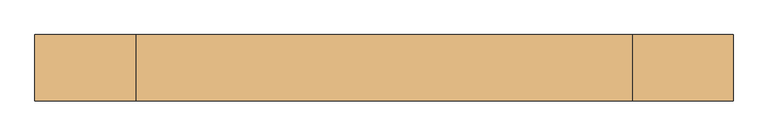
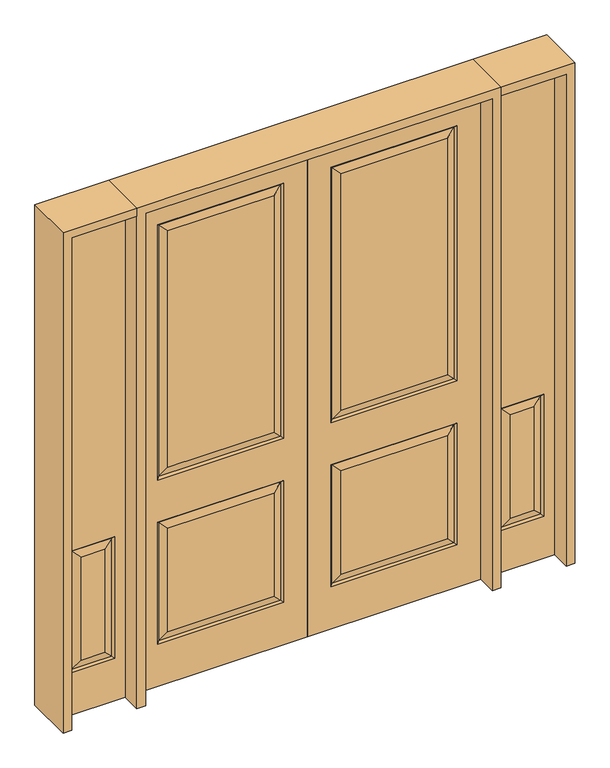
"""IFC4 building model written with IfcOpenShell, lengths in millimetres: door geometry."""

from ifc_helpers import new_model, si_unit, frame, origin, place, context, project, spatial, polyline, outline, extrude, faceted_brep, source, transform, mapped, element, save


def door_5f926c18(model_context):
    return source(origin(), model_context, "Body", "SolidModel", [
        faceted_brep([(692.6947439, 11.6572439, 218.5302561), (655.6375, 20.6375, 255.5875), (655.6375, 20.6375, 766.7625), (692.6947439, 11.6572439, 803.8197439), (120.1052561, -11.6572439, 803.8197439), (692.6947439, -11.6572439, 803.8197439), (701.675, -20.6375, 812.8), (111.125, -20.6375, 812.8), (692.6947439, -11.6572439, 218.5302561), (701.675, -20.6375, 209.55), (120.1052561, -11.6572439, 218.5302561), (111.125, -20.6375, 209.55), (120.1052561, 11.6572439, 1031.3302561), (692.6947439, 11.6572439, 1031.3302561), (701.675, 20.6375, 1022.35), (111.125, 20.6375, 1022.35), (692.6947439, 11.6572439, 2277.0197439), (701.675, 20.6375, 2286.0), (111.125, 20.6375, 2286.0), (120.1052561, 11.6572439, 2277.0197439), (157.1625, 20.6375, 1068.3875), (655.6375, 20.6375, 1068.3875), (701.675, 20.6375, 812.8), (120.1052561, 11.6572439, 803.8197439), (111.125, 20.6375, 812.8), (0.0, -20.6375, 0.0), (0.0, 20.6375, 0.0), (812.8, 20.6375, 0.0), (812.8, -20.6375, 0.0), (0.0, -20.6375, 2438.4), (0.0, 20.6375, 2438.4), (157.1625, 20.6375, 255.5875), (157.1625, 20.6375, 766.7625), (157.1625, 20.6375, 2239.9625), (655.6375, 20.6375, 2239.9625), (812.8, 20.6375, 2438.4), (111.125, 20.6375, 209.55), (701.675, 20.6375, 209.55), (812.8, -20.6375, 2438.4), (655.6375, -20.6375, 766.7625), (157.1625, -20.6375, 766.7625), (157.1625, -20.6375, 255.5875), (655.6375, -20.6375, 255.5875), (655.6375, -20.6375, 2239.9625), (157.1625, -20.6375, 2239.9625), (157.1625, -20.6375, 1068.3875), (655.6375, -20.6375, 1068.3875), (111.125, -20.6375, 2286.0), (701.675, -20.6375, 2286.0), (701.675, -20.6375, 1022.35), (111.125, -20.6375, 1022.35), (692.6947439, -11.6572439, 2277.0197439), (692.6947439, -11.6572439, 1031.3302561), (120.1052561, -11.6572439, 1031.3302561), (120.1052561, -11.6572439, 2277.0197439), (120.1052561, 11.6572439, 218.5302561)], [[[0, 1, 2, 3]], [[4, 5, 6, 7]], [[6, 5, 8, 9]], [[9, 8, 10, 11]], [[12, 13, 14, 15]], [[14, 13, 16, 17]], [[12, 15, 18, 19]], [[13, 12, 20, 21]], [[22, 3, 23, 24]], [[25, 26, 27, 28]], [[29, 30, 26, 25]], [[1, 31, 32, 2]], [[21, 20, 33, 34]], [[30, 35, 27, 26], [15, 14, 17, 18], [36, 37, 22, 24]], [[3, 2, 32, 23]], [[35, 38, 28, 27]], [[39, 40, 41, 42]], [[43, 44, 45, 46]], [[38, 29, 25, 28], [7, 6, 9, 11], [47, 48, 49, 50]], [[48, 51, 52, 49]], [[49, 52, 53, 50]], [[54, 47, 50, 53]], [[44, 54, 53, 45]], [[52, 46, 45, 53]], [[51, 43, 46, 52]], [[4, 7, 11, 10]], [[5, 4, 40, 39]], [[40, 4, 10, 41]], [[8, 42, 41, 10]], [[5, 39, 42, 8]], [[20, 12, 19, 33]], [[13, 21, 34, 16]], [[55, 0, 37, 36]], [[37, 0, 3, 22]], [[55, 36, 24, 23]], [[0, 55, 31, 1]], [[31, 55, 23, 32]], [[29, 38, 35, 30]], [[17, 16, 19, 18]], [[16, 34, 33, 19]], [[54, 51, 48, 47]], [[51, 54, 44, 43]]]),
        faceted_brep([(-692.6947439, 11.6572439, 218.5302561), (-692.6947439, 11.6572439, 803.8197439), (-655.6375, 20.6375, 766.7625), (-655.6375, 20.6375, 255.5875), (-120.1052561, -11.6572439, 803.8197439), (-111.125, -20.6375, 812.8), (-701.675, -20.6375, 812.8), (-692.6947439, -11.6572439, 803.8197439), (-701.675, -20.6375, 209.55), (-692.6947439, -11.6572439, 218.5302561), (-111.125, -20.6375, 209.55), (-120.1052561, -11.6572439, 218.5302561), (-120.1052561, 11.6572439, 1031.3302561), (-111.125, 20.6375, 1022.35), (-701.675, 20.6375, 1022.35), (-692.6947439, 11.6572439, 1031.3302561), (-701.675, 20.6375, 2286.0), (-692.6947439, 11.6572439, 2277.0197439), (-120.1052561, 11.6572439, 2277.0197439), (-111.125, 20.6375, 2286.0), (-655.6375, 20.6375, 1068.3875), (-157.1625, 20.6375, 1068.3875), (-701.675, 20.6375, 812.8), (-111.125, 20.6375, 812.8), (-120.1052561, 11.6572439, 803.8197439), (0.0, -20.6375, 0.0), (-812.8, -20.6375, 0.0), (-812.8, 20.6375, 0.0), (0.0, 20.6375, 0.0), (0.0, -20.6375, 2438.4), (0.0, 20.6375, 2438.4), (-157.1625, 20.6375, 766.7625), (-157.1625, 20.6375, 255.5875), (-812.8, 20.6375, 2438.4), (-111.125, 20.6375, 209.55), (-701.675, 20.6375, 209.55), (-655.6375, 20.6375, 2239.9625), (-157.1625, 20.6375, 2239.9625), (-812.8, -20.6375, 2438.4), (-655.6375, -20.6375, 766.7625), (-655.6375, -20.6375, 255.5875), (-157.1625, -20.6375, 255.5875), (-157.1625, -20.6375, 766.7625), (-655.6375, -20.6375, 2239.9625), (-655.6375, -20.6375, 1068.3875), (-157.1625, -20.6375, 1068.3875), (-157.1625, -20.6375, 2239.9625), (-111.125, -20.6375, 2286.0), (-111.125, -20.6375, 1022.35), (-701.675, -20.6375, 1022.35), (-701.675, -20.6375, 2286.0), (-692.6947439, -11.6572439, 1031.3302561), (-692.6947439, -11.6572439, 2277.0197439), (-120.1052561, -11.6572439, 1031.3302561), (-120.1052561, -11.6572439, 2277.0197439), (-120.1052561, 11.6572439, 218.5302561)], [[[0, 1, 2, 3]], [[4, 5, 6, 7]], [[6, 8, 9, 7]], [[8, 10, 11, 9]], [[12, 13, 14, 15]], [[14, 16, 17, 15]], [[12, 18, 19, 13]], [[15, 20, 21, 12]], [[22, 23, 24, 1]], [[25, 26, 27, 28]], [[29, 25, 28, 30]], [[3, 2, 31, 32]], [[30, 28, 27, 33], [13, 19, 16, 14], [34, 23, 22, 35]], [[20, 36, 37, 21]], [[1, 24, 31, 2]], [[33, 27, 26, 38]], [[39, 40, 41, 42]], [[43, 44, 45, 46]], [[38, 26, 25, 29], [5, 10, 8, 6], [47, 48, 49, 50]], [[50, 49, 51, 52]], [[49, 48, 53, 51]], [[54, 53, 48, 47]], [[46, 45, 53, 54]], [[51, 53, 45, 44]], [[52, 51, 44, 43]], [[4, 11, 10, 5]], [[7, 39, 42, 4]], [[42, 41, 11, 4]], [[9, 11, 41, 40]], [[7, 9, 40, 39]], [[21, 37, 18, 12]], [[15, 17, 36, 20]], [[55, 34, 35, 0]], [[35, 22, 1, 0]], [[55, 24, 23, 34]], [[0, 3, 32, 55]], [[32, 31, 24, 55]], [[29, 30, 33, 38]], [[16, 19, 18, 17]], [[17, 18, 37, 36]], [[54, 47, 50, 52]], [[52, 43, 46, 54]]]),
        faceted_brep([(1099.0947439, -11.6572439, 218.5302561), (1108.075, -20.6375, 209.55), (1108.075, -20.6375, 812.8), (1099.0947439, -11.6572439, 803.8197439), (904.875, -20.6375, 812.8), (913.8552561, -11.6572439, 803.8197439), (913.8552561, 11.6572439, 218.5302561), (1099.0947439, 11.6572439, 218.5302561), (1108.075, 20.6375, 209.55), (904.875, 20.6375, 209.55), (950.9125, 20.6375, 255.5875), (913.8552561, 11.6572439, 803.8197439), (950.9125, 20.6375, 766.7625), (1062.0375, 20.6375, 255.5875), (1062.0375, 20.6375, 766.7625), (1099.0947439, 11.6572439, 803.8197439), (1158.875, 20.6375, 0.0), (854.075, 20.6375, 0.0), (854.075, 20.6375, 2438.4), (1158.875, 20.6375, 2438.4), (1108.075, 20.6375, 812.8), (904.875, 20.6375, 812.8), (1158.875, -20.6375, 0.0), (854.075, -20.6375, 0.0), (854.075, -20.6375, 2438.4), (1158.875, -20.6375, 2438.4), (950.9125, -20.6375, 255.5875), (1062.0375, -20.6375, 255.5875), (1062.0375, -20.6375, 766.7625), (950.9125, -20.6375, 766.7625), (904.875, -20.6375, 209.55), (913.8552561, -11.6572439, 218.5302561)], [[[0, 1, 2, 3]], [[3, 2, 4, 5]], [[6, 7, 8, 9]], [[10, 6, 11, 12]], [[7, 13, 14, 15]], [[16, 17, 18, 19], [9, 8, 20, 21]], [[13, 10, 12, 14]], [[17, 16, 22, 23]], [[18, 17, 23, 24]], [[16, 19, 25, 22]], [[8, 7, 15, 20]], [[20, 15, 11, 21]], [[6, 9, 21, 11]], [[7, 6, 10, 13]], [[15, 14, 12, 11]], [[26, 27, 28, 29]], [[22, 25, 24, 23], [1, 30, 4, 2]], [[1, 0, 31, 30]], [[30, 31, 5, 4]], [[31, 0, 27, 26]], [[27, 0, 3, 28]], [[28, 3, 5, 29]], [[31, 26, 29, 5]], [[19, 18, 24, 25]]]),
        faceted_brep([(-1099.0947439, -11.6572439, 218.5302561), (-1099.0947439, -11.6572439, 803.8197439), (-1108.075, -20.6375, 812.8), (-1108.075, -20.6375, 209.55), (-913.8552561, -11.6572439, 803.8197439), (-904.875, -20.6375, 812.8), (-913.8552561, 11.6572439, 218.5302561), (-904.875, 20.6375, 209.55), (-1108.075, 20.6375, 209.55), (-1099.0947439, 11.6572439, 218.5302561), (-950.9125, 20.6375, 255.5875), (-950.9125, 20.6375, 766.7625), (-913.8552561, 11.6572439, 803.8197439), (-1099.0947439, 11.6572439, 803.8197439), (-1062.0375, 20.6375, 766.7625), (-1062.0375, 20.6375, 255.5875), (-1158.875, 20.6375, 0.0), (-1158.875, 20.6375, 2438.4), (-854.075, 20.6375, 2438.4), (-854.075, 20.6375, 0.0), (-904.875, 20.6375, 812.8), (-1108.075, 20.6375, 812.8), (-854.075, -20.6375, 0.0), (-1158.875, -20.6375, 0.0), (-854.075, -20.6375, 2438.4), (-1158.875, -20.6375, 2438.4), (-904.875, -20.6375, 209.55), (-950.9125, -20.6375, 255.5875), (-950.9125, -20.6375, 766.7625), (-1062.0375, -20.6375, 766.7625), (-1062.0375, -20.6375, 255.5875), (-913.8552561, -11.6572439, 218.5302561)], [[[0, 1, 2, 3]], [[1, 4, 5, 2]], [[6, 7, 8, 9]], [[10, 11, 12, 6]], [[9, 13, 14, 15]], [[16, 17, 18, 19], [7, 20, 21, 8]], [[15, 14, 11, 10]], [[19, 22, 23, 16]], [[18, 24, 22, 19]], [[16, 23, 25, 17]], [[8, 21, 13, 9]], [[21, 20, 12, 13]], [[6, 12, 20, 7]], [[9, 15, 10, 6]], [[13, 12, 11, 14]], [[23, 22, 24, 25], [3, 2, 5, 26]], [[27, 28, 29, 30]], [[3, 26, 31, 0]], [[26, 5, 4, 31]], [[31, 27, 30, 0]], [[30, 29, 1, 0]], [[29, 28, 4, 1]], [[31, 4, 28, 27]], [[17, 25, 24, 18]]]),
        extrude(outline(polyline([(2479.675, -854.075), (2479.675, -1200.15), (0.0, -1200.15), (0.0, -1158.875), (2438.4, -1158.875), (2438.4, -854.075), (2479.675, -854.075)])), frame((0.0, -114.3, 0.0), z_axis=(0.0, 1.0, 0.0), x_axis=(0.0, 0.0, 1.0)), (0.0, 0.0, 1.0), 228.6),
        extrude(outline(polyline([(2479.675, -854.075), (0.0, -854.075), (0.0, -812.8), (2438.4, -812.8), (2438.4, 812.8), (0.0, 812.8), (0.0, 854.075), (2479.675, 854.075), (2479.675, -854.075)])), frame((0.0, -114.3, 0.0), z_axis=(0.0, 1.0, 0.0), x_axis=(0.0, 0.0, 1.0)), (0.0, 0.0, 1.0), 228.6),
        extrude(outline(polyline([(0.0, 1200.15), (2479.675, 1200.15), (2479.675, 854.075), (2438.4, 854.075), (2438.4, 1158.875), (0.0, 1158.875), (0.0, 1200.15)])), frame((0.0, -114.3, 0.0), z_axis=(0.0, 1.0, 0.0), x_axis=(0.0, 0.0, 1.0)), (0.0, 0.0, 1.0), 228.6),
    ])


if __name__ == "__main__":
    model = new_model("IFC4")
    model_context = context("Model", 3, world=origin())
    ifc_project = project(units=[si_unit("LENGTHUNIT", "METRE", prefix="MILLI")], contexts=[model_context])
    site = spatial("IfcSite", under=ifc_project)
    building = spatial("IfcBuilding", under=site)
    placement = place(None, origin())
    door_shape = door_5f926c18(model_context)
    element("IfcDoor", 1, at=placement, inside=building, context=model_context, shape_type="MappedRepresentation", body=[
        mapped(door_shape, transform((0.0, 0.0, 0.0), x_axis=(1.0, 0.0, 0.0), y_axis=(0.0, 1.0, 0.0), z_axis=(0.0, 0.0, 1.0))),
    ])
    save(model, "model.ifc")
